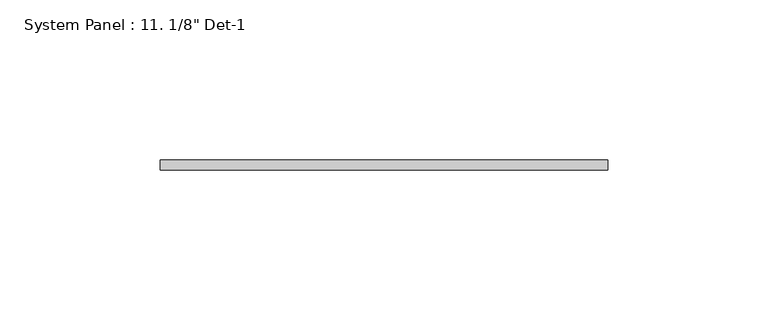
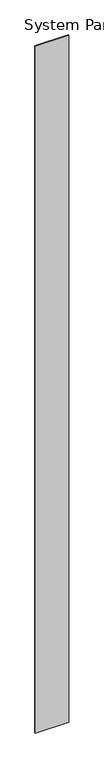
"""IFC4 building model written with IfcOpenShell, lengths in millimetres: plate geometry."""

from ifc_helpers import new_model, si_unit, origin, origin_with_axes, place, context, project, spatial, polyline, outline, extrude, source, transform, mapped, element, save


def plate_0f1bc37b(model_context):
    return source(origin(), model_context, "Body", "SweptSolid", [
        extrude(outline(polyline([(69.85, 5.55625), (-69.85, 5.55625), (-69.85, 8.73125), (69.85, 8.73125), (69.85, 5.55625)])), origin_with_axes(), (0.0, 0.0, 1.0), 3048.0),
    ])


if __name__ == "__main__":
    model = new_model("IFC4")
    model_context = context("Model", 3, world=origin())
    ifc_project = project(units=[si_unit("LENGTHUNIT", "METRE", prefix="MILLI")], contexts=[model_context])
    site = spatial("IfcSite", under=ifc_project)
    building = spatial("IfcBuilding", under=site)
    placement = place(None, origin())
    plate_shape = plate_0f1bc37b(model_context)
    element("IfcPlate", 1, ObjectType="System Panel : 11. 1/8\" Det-1", at=placement, inside=building, context=model_context, shape_type="MappedRepresentation", body=[
        mapped(plate_shape, transform((0.0, 0.0, 0.0), x_axis=(1.0, 0.0, 0.0), y_axis=(0.0, 1.0, 0.0), z_axis=(0.0, 0.0, 1.0))),
    ])
    save(model, "model.ifc")
